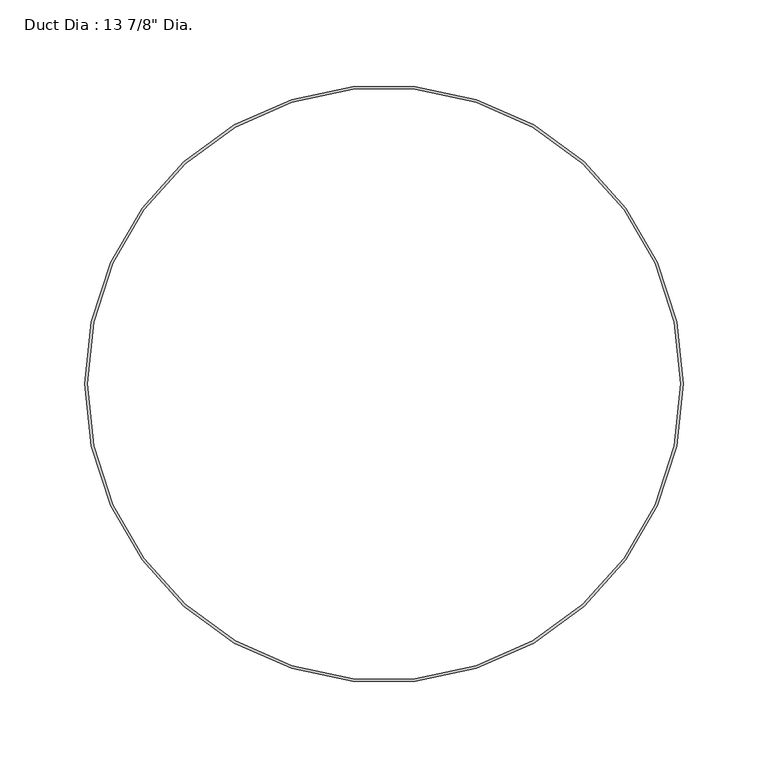
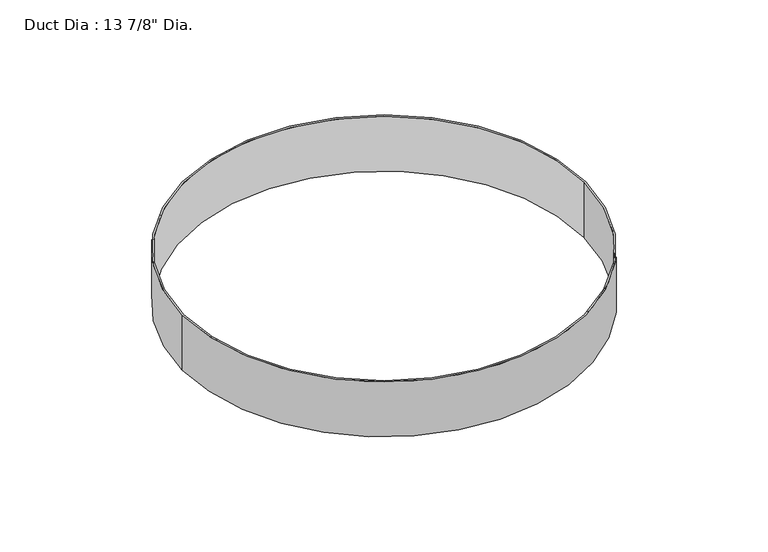
"""IFC4 building model written with IfcOpenShell, lengths in millimetres: proxy geometry."""

from ifc_helpers import new_model, si_unit, point, origin, origin_with_axes, origin_2d, place, context, project, spatial, circle_curve, trimmed, segment, composite_curve, outline, extrude, source, transform, mapped, element, save


def proxy_199e9adc(model_context):
    return source(origin(), model_context, "Body", "SweptSolid", [
        extrude(outline(composite_curve([segment(trimmed(circle_curve(origin_2d(), 176.2125), [point((-176.2125, 0.0))], [point((176.2125, 0.0))], False, "CARTESIAN"), True, "CONTINUOUS"), segment(trimmed(circle_curve(origin_2d(), 176.2125), [point((176.2125, 0.0))], [point((-176.2125, 0.0))], False, "CARTESIAN"), True, "CONTINUOUS")], self_intersect=False), holes=[composite_curve([segment(trimmed(circle_curve(origin_2d(), 174.625), [point((-174.625, 0.0))], [point((174.625, 0.0))], True, "CARTESIAN"), True, "CONTINUOUS"), segment(trimmed(circle_curve(origin_2d(), 174.625), [point((174.625, 0.0))], [point((-174.625, 0.0))], True, "CARTESIAN"), True, "CONTINUOUS")], self_intersect=False)]), origin_with_axes(), (0.0, 0.0, 1.0), 50.8),
    ])


if __name__ == "__main__":
    model = new_model("IFC4")
    model_context = context("Model", 3, world=origin())
    ifc_project = project(units=[si_unit("LENGTHUNIT", "METRE", prefix="MILLI")], contexts=[model_context])
    site = spatial("IfcSite", under=ifc_project)
    building = spatial("IfcBuilding", under=site)
    placement = place(None, origin())
    proxy_shape = proxy_199e9adc(model_context)
    element("IfcBuildingElementProxy", 1, Name="Duct Dia : 13 7/8\" Dia.", ObjectType="Duct Dia : 13 7/8\" Dia.", at=placement, inside=building, context=model_context, shape_type="MappedRepresentation", body=[
        mapped(proxy_shape, transform((0.0, 0.0, 0.0), x_axis=(1.0, 0.0, 0.0), y_axis=(0.0, 1.0, 0.0), z_axis=(0.0, 0.0, 1.0))),
    ])
    save(model, "model.ifc")
